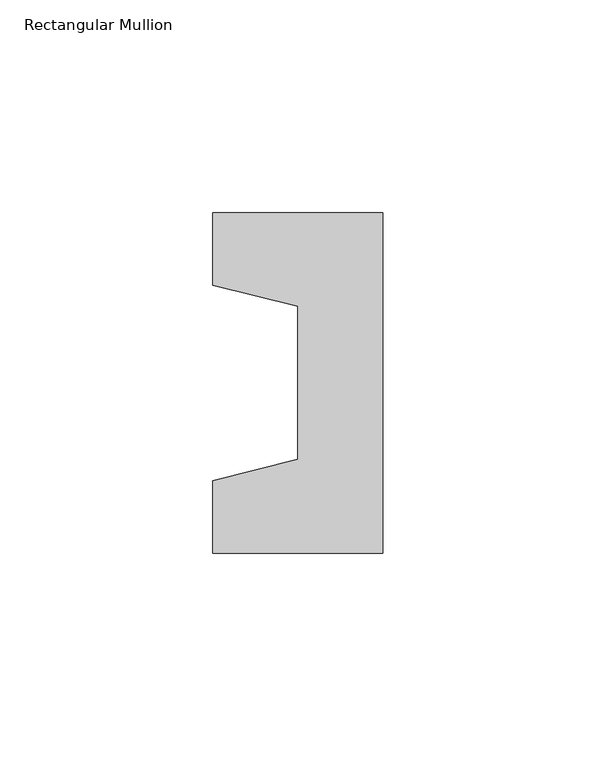
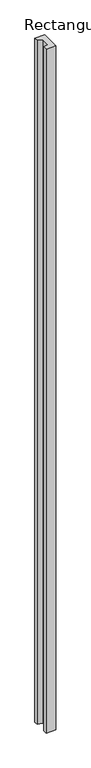
"""IFC4 building model written with IfcOpenShell, lengths in millimetres: column geometry, Rectangular Mullion."""

from ifc_helpers import new_model, si_unit, frame, origin, place, context, project, spatial, polyline, outline, extrude, source, transform, mapped, element, save


def rectangular_mullion_70128de7(model_context):
    return source(origin(), model_context, "Body", "SweptSolid", [
        extrude(outline(polyline([(-40.0, 40.0), (0.0, 40.0), (0.0, -40.0), (-40.0, -40.0), (-40.0, -23.0), (-20.0, -18.0), (-20.0, 18.0), (-40.0, 23.0), (-40.0, 40.0)])), frame((0.0, 0.0, -3000.0), z_axis=(0.0, 0.0, 1.0), x_axis=(1.0, 0.0, 0.0)), (0.0, 0.0, 1.0), 3000.0),
    ])


if __name__ == "__main__":
    model = new_model("IFC4")
    model_context = context("Model", 3, world=origin())
    ifc_project = project(units=[si_unit("LENGTHUNIT", "METRE", prefix="MILLI")], contexts=[model_context])
    site = spatial("IfcSite", under=ifc_project)
    building = spatial("IfcBuilding", under=site)
    placement = place(None, origin())
    rectangular_mullion_shape = rectangular_mullion_70128de7(model_context)
    element("IfcColumn", 1, ObjectType="Rectangular Mullion", at=placement, inside=building, context=model_context, shape_type="MappedRepresentation", body=[
        mapped(rectangular_mullion_shape, transform((0.0, 0.0, 0.0), x_axis=(1.0, 0.0, 0.0), y_axis=(0.0, 1.0, 0.0), z_axis=(0.0, 0.0, 1.0))),
    ])
    save(model, "model.ifc")
